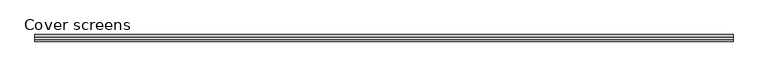
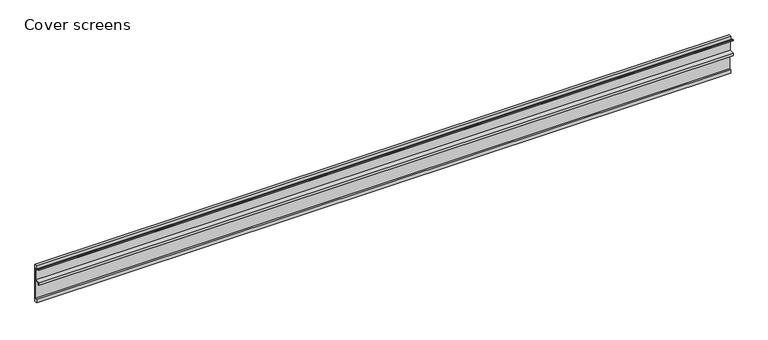
"""IFC4 building model written with IfcOpenShell, lengths in millimetres: proxy geometry, Cover screens."""

import ifcopenshell
import ifcopenshell.guid

model = None  # the IFC model being written
_history = None  # IfcOwnerHistory: only IFC2X3 demands one
_inside = {}  # id of a spatial element -> (the spatial element, [elements in it])
_under = {}  # id of a project, library or spatial element -> (it, [spatial elements below it])
_declared = {}  # id of a project -> (the project, [libraries it declares])
_typed = {}  # id of a type object -> (the type object, [elements of that type])
_made_of = {}  # id of a material, layer set ... -> (it, [elements and type objects made of it])


def new_model(schema):
    """Start an empty IFC model of exactly this schema.

    Asked for "IFC4X3", IfcOpenShell would pick the latest addendum, in which some entities
    have other attributes; the version numbers below select the first issue.
    IFC2X3 requires an IfcOwnerHistory on every rooted entity: one is made here for all.
    """
    global model, _history
    if schema == "IFC4X3":
        model = ifcopenshell.file(schema_version=(4, 3, 0, 0))
    else:
        model = ifcopenshell.file(schema=schema)
    _inside.clear()
    _under.clear()
    _declared.clear()
    _typed.clear()
    _made_of.clear()
    _history = None
    if model.schema == "IFC2X3":
        org = make("IfcOrganization", Name="unknown")
        user = make(
            "IfcPersonAndOrganization",
            ThePerson=make("IfcPerson", FamilyName="unknown"),
            TheOrganization=org,
        )
        app = make(
            "IfcApplication",
            ApplicationDeveloper=org,
            Version="unknown",
            ApplicationFullName="unknown",
            ApplicationIdentifier="unknown",
        )
        _history = make(
            "IfcOwnerHistory",
            OwningUser=user,
            OwningApplication=app,
            ChangeAction="ADDED",
            CreationDate=0,
        )
    return model


def make(cls, **values):
    """One entity of the class cls with the attributes given. An attribute that is None is left unset."""
    return model.create_entity(
        cls, **{name: value for name, value in values.items() if value is not None}
    )


def rooted(cls, **values):
    """An entity with a GlobalId (a new one), such as an element, a storey or a relation."""
    return make(cls, GlobalId=ifcopenshell.guid.new(), OwnerHistory=_history, **values)


def si_unit(unit_type, name, prefix=None):
    """IfcSIUnit, for example si_unit("LENGTHUNIT", "METRE", prefix="MILLI")."""
    return make("IfcSIUnit", UnitType=unit_type, Prefix=prefix, Name=name)


def assignment(units):
    """IfcUnitAssignment: the units of a project."""
    return None if units is None else make("IfcUnitAssignment", Units=units)


def point(xyz):
    """IfcCartesianPoint."""
    return None if xyz is None else make("IfcCartesianPoint", Coordinates=xyz)


def direction(xyz):
    """IfcDirection."""
    return None if xyz is None else make("IfcDirection", DirectionRatios=xyz)


def frame(location, z_axis=None, x_axis=None):
    """IfcAxis2Placement3D, a coordinate frame: its origin and axes. An axis left out is left unset."""
    return make(
        "IfcAxis2Placement3D",
        Location=point(location),
        Axis=direction(z_axis),
        RefDirection=direction(x_axis),
    )


def origin():
    """The frame at (0, 0, 0) with its axes left unset."""
    return frame((0.0, 0.0, 0.0))


def place(relative_to, where):
    """IfcLocalPlacement: puts the frame where relative to a parent placement (None: the world)."""
    return make(
        "IfcLocalPlacement", PlacementRelTo=relative_to, RelativePlacement=where
    )


def context(
    kind, dimensions, precision=None, world=None, true_north=None, identifier=None
):
    """IfcGeometricRepresentationContext, for example the 3D "Model" context."""
    return make(
        "IfcGeometricRepresentationContext",
        ContextIdentifier=identifier,
        ContextType=kind,
        CoordinateSpaceDimension=dimensions,
        Precision=precision,
        WorldCoordinateSystem=world,
        TrueNorth=true_north,
    )


def project(units=None, contexts=None):
    """IfcProject with its units and contexts."""
    return rooted(
        "IfcProject",
        Name="project",
        RepresentationContexts=contexts,
        UnitsInContext=assignment(units),
    )


def spatial(cls, under=None, at=None, **own):
    """A site, building, storey or space (cls), placed at a placement, below another one or the project."""
    s = rooted(cls, ObjectPlacement=at, **own)
    if under is not None:
        _under.setdefault(under.id(), (under, []))[1].append(s)
    return s


def polyline(points):
    """IfcPolyline through the points."""
    return make("IfcPolyline", Points=[point(p) for p in points])


def outline(outer, holes=None, kind="AREA"):
    """IfcArbitraryClosedProfileDef: a profile drawn as a closed curve; with holes, ...WithVoids."""
    if holes is None:
        return make("IfcArbitraryClosedProfileDef", ProfileType=kind, OuterCurve=outer)
    return make(
        "IfcArbitraryProfileDefWithVoids",
        ProfileType=kind,
        OuterCurve=outer,
        InnerCurves=holes,
    )


def extrude(swept, where, along, depth):
    """IfcExtrudedAreaSolid: the profile swept, set in the frame where, extruded along a direction by depth."""
    return make(
        "IfcExtrudedAreaSolid",
        SweptArea=swept,
        Position=where,
        ExtrudedDirection=direction(along),
        Depth=depth,
    )


def shape(context_of_items, identifier, shape_type, items):
    """IfcShapeRepresentation: the items that make up one representation, for example the "Body"."""
    return make(
        "IfcShapeRepresentation",
        ContextOfItems=context_of_items,
        RepresentationIdentifier=identifier,
        RepresentationType=shape_type,
        Items=items,
    )


def source(mapping_origin, context_of_items, identifier, shape_type, items):
    """IfcRepresentationMap: a shape defined once, which mapped items show again and again."""
    return make(
        "IfcRepresentationMap",
        MappingOrigin=mapping_origin,
        MappedRepresentation=shape(context_of_items, identifier, shape_type, items),
    )


def transform(
    local_origin,
    x_axis=None,
    y_axis=None,
    z_axis=None,
    scale=None,
    scale2=None,
    scale3=None,
    uniform=True,
):
    """IfcCartesianTransformationOperator3D, or its non-uniform kind. x_axis, y_axis, z_axis: its Axis1, 2, 3."""
    if uniform:
        return make(
            "IfcCartesianTransformationOperator3D",
            Axis1=direction(x_axis),
            Axis2=direction(y_axis),
            LocalOrigin=point(local_origin),
            Scale=scale,
            Axis3=direction(z_axis),
        )
    return make(
        "IfcCartesianTransformationOperator3DnonUniform",
        Axis1=direction(x_axis),
        Axis2=direction(y_axis),
        LocalOrigin=point(local_origin),
        Scale=scale,
        Axis3=direction(z_axis),
        Scale2=scale2,
        Scale3=scale3,
    )


def mapped(mapping_source, mapping_target):
    """IfcMappedItem: shows the shape of a source again, moved by a transform."""
    return make(
        "IfcMappedItem", MappingSource=mapping_source, MappingTarget=mapping_target
    )


def made_of(thing, what):
    """Note that an element or type object is made of a material, layer set ...; save() writes the relation."""
    if what is not None:
        _made_of.setdefault(what.id(), (what, []))[1].append(thing)
    return thing


def element(
    cls,
    number,
    at=None,
    inside=None,
    cuts=None,
    type_object=None,
    material=None,
    context=None,
    identifier="Body",
    shape_type=None,
    held_by="IfcProductDefinitionShape",
    body=None,
    shapes=None,
    **own,
):
    """One element of the class cls, such as IfcWall. Its Tag is "e" and its number.

    at: its placement. inside: the storey or other place that contains it. cuts: it is an
    opening in that element (IfcRelVoidsElement). A single representation is given by context,
    identifier, shape_type and body (its items); several are given by shapes. held_by: the class
    of the entity that holds the representations. save() writes the other relations.
    """
    e = rooted(cls, Tag="e%d" % number, ObjectPlacement=at, **own)
    if body is not None:
        shapes = [shape(context, identifier, shape_type, body)]
    if shapes is not None:
        e.Representation = make(held_by, Representations=shapes)
    if inside is not None:
        _inside.setdefault(inside.id(), (inside, []))[1].append(e)
    if cuts is not None:
        rooted(
            "IfcRelVoidsElement", RelatingBuildingElement=cuts, RelatedOpeningElement=e
        )
    if type_object is not None:
        _typed.setdefault(type_object.id(), (type_object, []))[1].append(e)
    return made_of(e, material)


def aggregate(whole, parts):
    """IfcRelAggregates: a whole, such as a stair, and the parts it consists of."""
    return rooted("IfcRelAggregates", RelatingObject=whole, RelatedObjects=parts)


def save(model, path):
    """Write the relations noted so far, then the file.

    IfcRelAggregates (storeys below a building ...), IfcRelContainedInSpatialStructure (elements
    in a storey), IfcRelDefinesByType, IfcRelAssociatesMaterial and IfcRelDeclares: one each for
    every whole, place, type object, material and project.
    """
    for whole, parts in _under.values():
        aggregate(whole, parts)
    for where, things in _inside.values():
        rooted(
            "IfcRelContainedInSpatialStructure",
            RelatedElements=things,
            RelatingStructure=where,
        )
    for kind, things in _typed.values():
        rooted("IfcRelDefinesByType", RelatedObjects=things, RelatingType=kind)
    for what, things in _made_of.values():
        rooted("IfcRelAssociatesMaterial", RelatedObjects=things, RelatingMaterial=what)
    for by, libraries in _declared.values():
        rooted("IfcRelDeclares", RelatingContext=by, RelatedDefinitions=libraries)
    model.write(path)


def cover_screens_671050fa(model_context):
    return source(origin(), model_context, "Body", "SweptSolid", [
        extrude(outline(polyline([(3.2396744, 105.2573755), (12.0, 99.0), (16.5351396, 99.0), (16.5351396, 64.0), (2.0, 64.0), (2.0, 57.9863949), (0.0, 57.9863949), (0.0, 66.0), (14.5351396, 66.0), (14.5351396, 97.0), (11.3590699, 97.0), (2.5987443, 103.2573755), (0.0, 103.2573755), (0.0, 105.2573755), (3.2396744, 105.2573755)])), frame((0.0, 0.0, 0.0), z_axis=(1.0, 0.0, 0.0), x_axis=(0.0, 1.0, 0.0)), (0.0, 0.0, 1.0), 1950.0),
        extrude(outline(polyline([(18.5, 109.0), (18.5, 0.0), (10.65, 0.0), (10.65, 10.0), (16.5351396, 10.0), (16.5351396, 99.0), (12.0, 99.0), (12.0, 109.0), (18.5, 109.0)])), frame((0.0, 0.0, 0.0), z_axis=(1.0, 0.0, 0.0), x_axis=(0.0, 1.0, 0.0)), (0.0, 0.0, 1.0), 1950.0),
    ])


if __name__ == "__main__":
    model = new_model("IFC4")
    model_context = context("Model", 3, world=origin())
    ifc_project = project(units=[si_unit("LENGTHUNIT", "METRE", prefix="MILLI")], contexts=[model_context])
    site = spatial("IfcSite", under=ifc_project)
    building = spatial("IfcBuilding", under=site)
    placement = place(None, origin())
    cover_screens_shape = cover_screens_671050fa(model_context)
    element("IfcBuildingElementProxy", 1, Name="Cover screens", ObjectType="Cover screens", at=placement, inside=building, context=model_context, shape_type="MappedRepresentation", body=[
        mapped(cover_screens_shape, transform((0.0, 0.0, 0.0), x_axis=(1.0, 0.0, 0.0), y_axis=(0.0, 1.0, 0.0), z_axis=(0.0, 0.0, 1.0))),
    ])
    save(model, "model.ifc")
